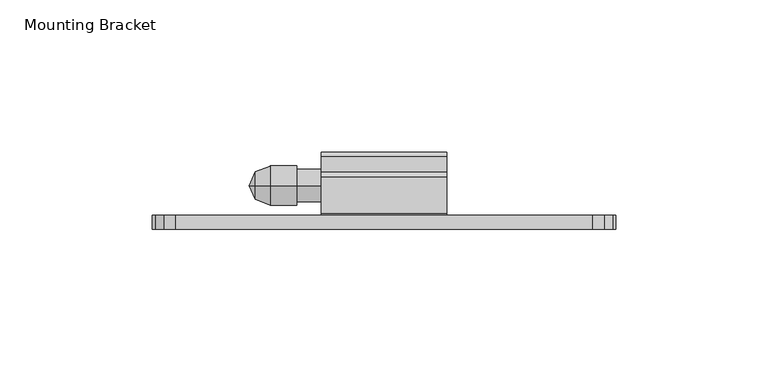
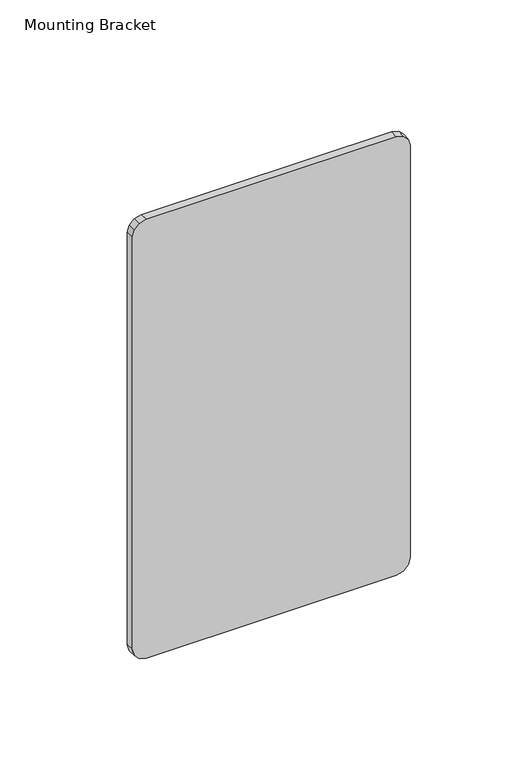
"""IFC4 building model written with IfcOpenShell, lengths in millimetres: furniture geometry, Mounting Bracket."""

from ifc_helpers import new_model, si_unit, frame, origin, place, context, project, spatial, polyline, circle_curve, outline, extrude, source, transform, mapped, element, save
from ifc_brep_helpers import plane_surface, cylinder_surface, revolved_surface, advanced_brep


def mounting_bracket_c823c7c9(model_context):
    return source(origin(), model_context, "Body", "SolidModel", [
        extrude(outline(polyline([(1371.6, 636.9192799), (1371.6, 499.7592835), (1370.5791116, 495.9492826), (1367.7899991, 493.1601678), (1363.9799982, 492.1392863), (1125.2200033, 492.1392863), (1121.410007, 493.1601678), (1118.6208785, 495.9492826), (1117.5999924, 499.7592835), (1117.5999924, 636.9192799), (1118.6208785, 640.7292808), (1121.410007, 643.5183956), (1125.2200033, 644.5392817), (1363.9799982, 644.5392817), (1367.7899991, 643.5183956), (1370.5791116, 640.7292808), (1371.6, 636.9192799)])), frame((0.0, -1267.5959292, 0.0), z_axis=(0.0, 1.0, 0.0), x_axis=(0.0, 0.0, 1.0)), (0.0, 0.0, 1.0), 4.5973995),
        advanced_brep(
        [(526.0628515, -1253.1852, 1297.4219446), (526.0628515, -1253.1852, 1306.5758962), (530.8753712, -1253.1852, 1308.4717425), (530.8753712, -1253.1852, 1295.5260983), (539.6258568, -1253.1852, 1308.4717425), (539.6258568, -1253.1852, 1295.5260983), (539.6258568, -1253.1852, 1307.3617358), (539.6258568, -1253.1852, 1296.6361051), (547.6881167, -1253.1852, 1307.3617358), (547.6881167, -1253.1852, 1296.6361051), (547.6881167, -1253.1852, 1301.9989204), (524.0694412, -1253.1852, 1301.9989204)],
        [
            (0, 1, circle_curve(frame((526.0628515, -1253.1852, 1301.9989204), z_axis=(1.0, 0.0, 0.0), x_axis=(0.0, 0.0, 1.0)), 4.5769758)),
            (1, 2),
            (2, 3, circle_curve(frame((530.8753712, -1253.1852, 1301.9989204), z_axis=(-1.0, 0.0, 0.0), x_axis=(0.0, 0.0, 1.0)), 6.4728221)),
            (3, 0),
            (1, 0, circle_curve(frame((526.0628515, -1253.1852, 1301.9989204), z_axis=(1.0, 0.0, 0.0), x_axis=(0.0, 0.0, 1.0)), 4.5769758)),
            (3, 2, circle_curve(frame((530.8753712, -1253.1852, 1301.9989204), z_axis=(-1.0, 0.0, 0.0), x_axis=(0.0, 0.0, 1.0)), 6.4728221)),
            (2, 4),
            (4, 5, circle_curve(frame((539.6258568, -1253.1852, 1301.9989204), z_axis=(-1.0, 0.0, 0.0), x_axis=(0.0, 0.0, 1.0)), 6.4728221)),
            (5, 3),
            (5, 4, circle_curve(frame((539.6258568, -1253.1852, 1301.9989204), z_axis=(-1.0, 0.0, 0.0), x_axis=(0.0, 0.0, 1.0)), 6.4728221)),
            (4, 6),
            (6, 7, circle_curve(frame((539.6258568, -1253.1852, 1301.9989204), z_axis=(-1.0, 0.0, 0.0), x_axis=(0.0, 0.0, 1.0)), 5.3628154)),
            (7, 5),
            (7, 6, circle_curve(frame((539.6258568, -1253.1852, 1301.9989204), z_axis=(-1.0, 0.0, 0.0), x_axis=(0.0, 0.0, 1.0)), 5.3628154)),
            (6, 8),
            (8, 9, circle_curve(frame((547.6881167, -1253.1852, 1301.9989204), z_axis=(-1.0, 0.0, 0.0), x_axis=(0.0, 0.0, 1.0)), 5.3628154)),
            (9, 7),
            (9, 8, circle_curve(frame((547.6881167, -1253.1852, 1301.9989204), z_axis=(-1.0, 0.0, 0.0), x_axis=(0.0, 0.0, 1.0)), 5.3628154)),
            (8, 10),
            (10, 9),
            (11, 1),
            (0, 11),
        ],
        [
            revolved_surface(polyline([(530.8753712, -1253.1852, 1308.4717425), (526.0628515, -1253.1852, 1306.5758962)]), (524.0694412, -1253.1852, 1301.9989204), (-1.0, 0.0, 0.0)),
            cylinder_surface(frame((524.0694412, -1253.1852, 1301.9989204), z_axis=(-1.0, 0.0, 0.0), x_axis=(0.0, 0.0, 1.0)), 6.4728221),
            plane_surface(frame((539.6258568, -1253.1852, 1301.9989204), z_axis=(1.0, 0.0, 0.0), x_axis=(0.0, 0.0, 1.0))),
            cylinder_surface(frame((524.0694412, -1253.1852, 1301.9989204), z_axis=(-1.0, 0.0, 0.0), x_axis=(0.0, 0.0, 1.0)), 5.3628154),
            plane_surface(frame((547.6881167, -1253.1852, 1301.9989204), z_axis=(1.0, 0.0, 0.0), x_axis=(0.0, 0.0, 1.0))),
            revolved_surface(polyline([(526.0628515, -1253.1852, 1306.5758962), (524.0694412, -1253.1852, 1301.9989204)]), (524.0694412, -1253.1852, 1301.9989204), (-1.0, 0.0, 0.0)),
        ],
        [
            (0, [[1, 2, 3, 4]]),
            (0, [[5, -4, 6, -2]]),
            (1, [[-3, 7, 8, 9]]),
            (1, [[-6, -9, 10, -7]]),
            (2, [[-8, 11, 12, 13]]),
            (2, [[-10, -13, 14, -11]]),
            (3, [[-12, 15, 16, 17]]),
            (3, [[-14, -17, 18, -15]]),
            (4, [[-16, 19, 20]]),
            (4, [[-18, -20, -19]]),
            (5, [[21, -1, 22]]),
            (5, [[-22, -5, -21]]),
        ],
    ),
        extrude(outline(polyline([(-1250.3046945, 1352.5753993), (-1248.7298945, 1351.0005988), (-1248.7298945, 1346.250799), (-1249.5126046, 1343.8864416), (-1251.5515106, 1342.4561678), (-1254.041105, 1342.525034), (-1255.997826, 1344.0658334), (-1257.4420942, 1343.6316415), (-1257.4420942, 1313.8972312), (-1256.8467817, 1313.3019187), (-1243.7705444, 1313.3019187), (-1242.1957445, 1311.7271193), (-1242.1957445, 1292.3011975), (-1243.7705444, 1290.7263981), (-1261.4235441, 1290.7263981), (-1262.9985297, 1292.3013837), (-1262.9985297, 1351.9765416), (-1262.399672, 1352.5753993), (-1250.3046945, 1352.5753993)])), frame((547.6881145, 0.0, 0.0), z_axis=(1.0, 0.0, 0.0), x_axis=(0.0, 1.0, 0.0)), (0.0, 0.0, 1.0), 41.2750015),
    ])


if __name__ == "__main__":
    model = new_model("IFC4")
    model_context = context("Model", 3, world=origin())
    ifc_project = project(units=[si_unit("LENGTHUNIT", "METRE", prefix="MILLI")], contexts=[model_context])
    site = spatial("IfcSite", under=ifc_project)
    building = spatial("IfcBuilding", under=site)
    placement = place(None, origin())
    mounting_bracket_shape = mounting_bracket_c823c7c9(model_context)
    element("IfcFurniture", 1, ObjectType="Mounting Bracket", at=placement, inside=building, context=model_context, shape_type="MappedRepresentation", body=[
        mapped(mounting_bracket_shape, transform((0.0, 0.0, 0.0), x_axis=(1.0, 0.0, 0.0), y_axis=(0.0, 1.0, 0.0), z_axis=(0.0, 0.0, 1.0))),
    ])
    save(model, "model.ifc")
